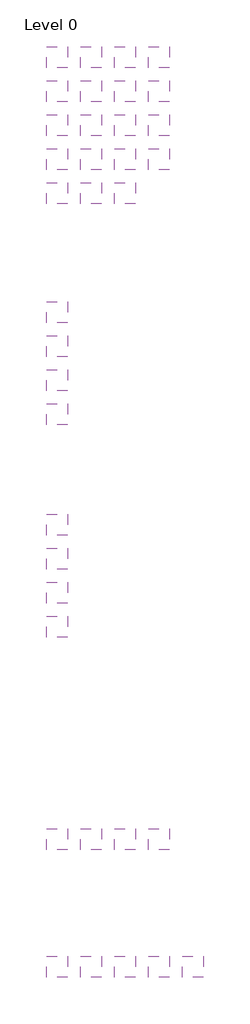
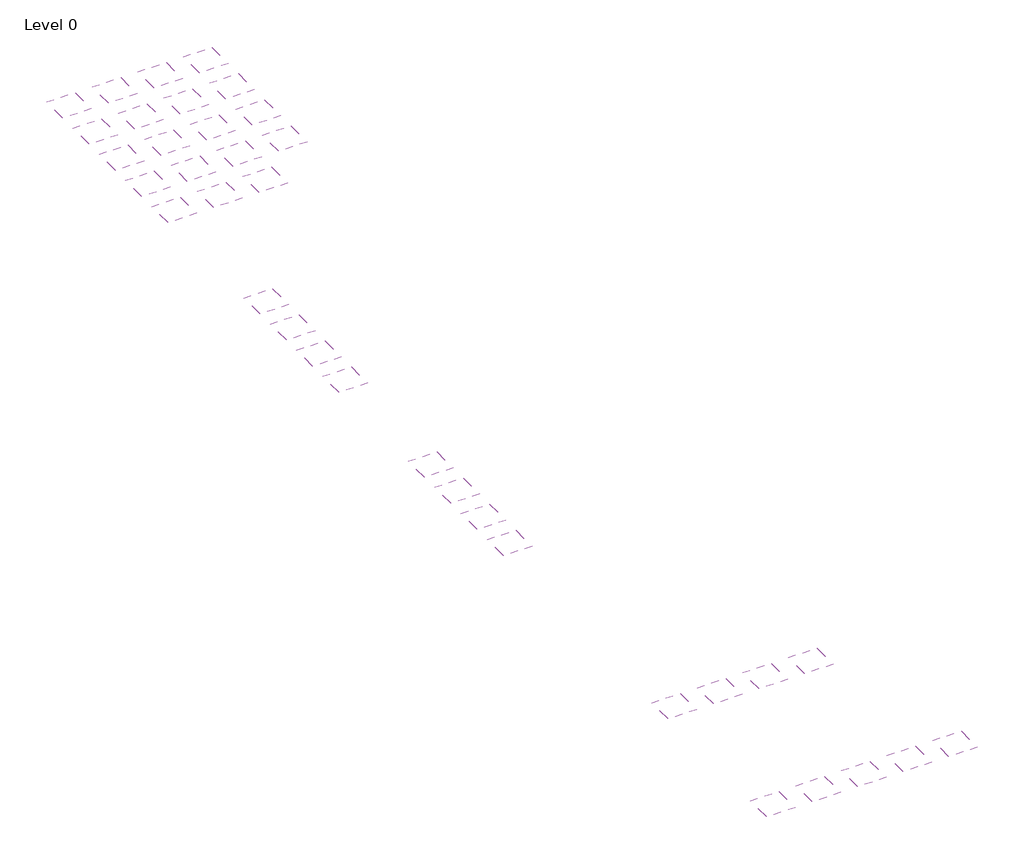
# One storey: 36 coverings.
"""IFC4 building model written with IfcOpenShell, lengths in millimetres."""

from ifc_helpers import new_model, si_unit, frame, origin, place, context, project, spatial, polyline, outline, extrude, element, save

model = new_model("IFC4")

# Units and contexts
model_context = context("Model", 3, world=origin())
ifc_project = project(units=[si_unit("LENGTHUNIT", "METRE", prefix="MILLI")], contexts=[model_context])

# Site, building, storey
site = spatial("IfcSite", under=ifc_project)
building = spatial("IfcBuilding", under=site)
storey = spatial("IfcBuildingStorey", under=building, Name="Level 0", Elevation=0.0)

# Coverings
placement = place(None, origin())
element("IfcCovering", 1, at=placement, inside=storey, context=model_context, shape_type="SweptSolid", body=[
    extrude(outline(polyline([(-9816.8087978, 5048.1093759), (-9816.8087978, 4548.1093759), (-10316.8087978, 4548.1093759), (-10316.8087978, 5048.1093759), (-9816.8087978, 5048.1093759)])), frame((0.0, 0.0, 4000.0), z_axis=(0.0, 0.0, 1.0), x_axis=(1.0, 0.0, 0.0)), (0.0, 0.0, 1.0), 14.0),
])
element("IfcCovering", 2, at=placement, inside=storey, context=model_context, shape_type="SweptSolid", body=[
    extrude(outline(polyline([(-9816.8087978, 4248.1093759), (-9816.8087978, 3748.1093759), (-10316.8087978, 3748.1093759), (-10316.8087978, 4248.1093759), (-9816.8087978, 4248.1093759)])), frame((0.0, 0.0, 4000.0), z_axis=(0.0, 0.0, 1.0), x_axis=(1.0, 0.0, 0.0)), (0.0, 0.0, 1.0), 14.0),
])
element("IfcCovering", 3, at=placement, inside=storey, context=model_context, shape_type="SweptSolid", body=[
    extrude(outline(polyline([(-9016.8087978, 5048.1093759), (-9016.8087978, 4548.1093759), (-9516.8087978, 4548.1093759), (-9516.8087978, 5048.1093759), (-9016.8087978, 5048.1093759)])), frame((0.0, 0.0, 4000.0), z_axis=(0.0, 0.0, 1.0), x_axis=(1.0, 0.0, 0.0)), (0.0, 0.0, 1.0), 17.0),
])
element("IfcCovering", 4, at=placement, inside=storey, context=model_context, shape_type="SweptSolid", body=[
    extrude(outline(polyline([(-9016.8087978, 4248.1093759), (-9016.8087978, 3748.1093759), (-9516.8087978, 3748.1093759), (-9516.8087978, 4248.1093759), (-9016.8087978, 4248.1093759)])), frame((0.0, 0.0, 4000.0), z_axis=(0.0, 0.0, 1.0), x_axis=(1.0, 0.0, 0.0)), (0.0, 0.0, 1.0), 17.0),
])
element("IfcCovering", 5, at=placement, inside=storey, context=model_context, shape_type="SweptSolid", body=[
    extrude(outline(polyline([(-9816.8087978, 3448.1093759), (-9816.8087978, 2948.1093759), (-10316.8087978, 2948.1093759), (-10316.8087978, 3448.1093759), (-9816.8087978, 3448.1093759)])), frame((0.0, 0.0, 4000.0), z_axis=(0.0, 0.0, 1.0), x_axis=(1.0, 0.0, 0.0)), (0.0, 0.0, 1.0), 14.0),
])
element("IfcCovering", 6, at=placement, inside=storey, context=model_context, shape_type="SweptSolid", body=[
    extrude(outline(polyline([(-9016.8087978, 3448.1093759), (-9016.8087978, 2948.1093759), (-9516.8087978, 2948.1093759), (-9516.8087978, 3448.1093759), (-9016.8087978, 3448.1093759)])), frame((0.0, 0.0, 4000.0), z_axis=(0.0, 0.0, 1.0), x_axis=(1.0, 0.0, 0.0)), (0.0, 0.0, 1.0), 20.0),
])
element("IfcCovering", 7, at=placement, inside=storey, context=model_context, shape_type="SweptSolid", body=[
    extrude(outline(polyline([(-8216.8087978, 3448.1093759), (-8216.8087978, 2948.1093759), (-8716.8087978, 2948.1093759), (-8716.8087978, 3448.1093759), (-8216.8087978, 3448.1093759)])), frame((0.0, 0.0, 4000.0), z_axis=(0.0, 0.0, 1.0), x_axis=(1.0, 0.0, 0.0)), (0.0, 0.0, 1.0), 17.0),
])
element("IfcCovering", 8, at=placement, inside=storey, context=model_context, shape_type="SweptSolid", body=[
    extrude(outline(polyline([(-9816.8087978, 2648.1093759), (-9816.8087978, 2148.1093759), (-10316.8087978, 2148.1093759), (-10316.8087978, 2648.1093759), (-9816.8087978, 2648.1093759)])), frame((0.0, 0.0, 4000.0), z_axis=(0.0, 0.0, 1.0), x_axis=(1.0, 0.0, 0.0)), (0.0, 0.0, 1.0), 17.0),
])
element("IfcCovering", 9, at=placement, inside=storey, context=model_context, shape_type="SweptSolid", body=[
    extrude(outline(polyline([(-9016.8087978, 2648.1093759), (-9016.8087978, 2148.1093759), (-9516.8087978, 2148.1093759), (-9516.8087978, 2648.1093759), (-9016.8087978, 2648.1093759)])), frame((0.0, 0.0, 4000.0), z_axis=(0.0, 0.0, 1.0), x_axis=(1.0, 0.0, 0.0)), (0.0, 0.0, 1.0), 32.0),
])
element("IfcCovering", 10, at=placement, inside=storey, context=model_context, shape_type="SweptSolid", body=[
    extrude(outline(polyline([(-8216.8087978, 2648.1093759), (-8216.8087978, 2148.1093759), (-8716.8087978, 2148.1093759), (-8716.8087978, 2648.1093759), (-8216.8087978, 2648.1093759)])), frame((0.0, 0.0, 4000.0), z_axis=(0.0, 0.0, 1.0), x_axis=(1.0, 0.0, 0.0)), (0.0, 0.0, 1.0), 20.0),
])
element("IfcCovering", 11, at=placement, inside=storey, context=model_context, shape_type="SweptSolid", body=[
    extrude(outline(polyline([(-7416.8087978, 2648.1093759), (-7416.8087978, 2148.1093759), (-7916.8087978, 2148.1093759), (-7916.8087978, 2648.1093759), (-7416.8087978, 2648.1093759)])), frame((0.0, 0.0, 4000.0), z_axis=(0.0, 0.0, 1.0), x_axis=(1.0, 0.0, 0.0)), (0.0, 0.0, 1.0), 33.0),
])
element("IfcCovering", 12, at=placement, inside=storey, context=model_context, shape_type="SweptSolid", body=[
    extrude(outline(polyline([(-9816.8087978, 1848.1093759), (-9816.8087978, 1348.1093759), (-10316.8087978, 1348.1093759), (-10316.8087978, 1848.1093759), (-9816.8087978, 1848.1093759)])), frame((0.0, 0.0, 4000.0), z_axis=(0.0, 0.0, 1.0), x_axis=(1.0, 0.0, 0.0)), (0.0, 0.0, 1.0), 36.0),
])
element("IfcCovering", 13, at=placement, inside=storey, context=model_context, shape_type="SweptSolid", body=[
    extrude(outline(polyline([(-9016.8087978, 1848.1093759), (-9016.8087978, 1348.1093759), (-9516.8087978, 1348.1093759), (-9516.8087978, 1848.1093759), (-9016.8087978, 1848.1093759)])), frame((0.0, 0.0, 4000.0), z_axis=(0.0, 0.0, 1.0), x_axis=(1.0, 0.0, 0.0)), (0.0, 0.0, 1.0), 48.0),
])
element("IfcCovering", 14, at=placement, inside=storey, context=model_context, shape_type="SweptSolid", body=[
    extrude(outline(polyline([(-9816.8087978, -951.8906241), (-9816.8087978, -1451.8906241), (-10316.8087978, -1451.8906241), (-10316.8087978, -951.8906241), (-9816.8087978, -951.8906241)])), frame((0.0, 0.0, 4000.0), z_axis=(0.0, 0.0, 1.0), x_axis=(1.0, 0.0, 0.0)), (0.0, 0.0, 1.0), 25.0),
])
element("IfcCovering", 15, at=placement, inside=storey, context=model_context, shape_type="SweptSolid", body=[
    extrude(outline(polyline([(-9816.8087978, -1751.8906241), (-9816.8087978, -2251.8906241), (-10316.8087978, -2251.8906241), (-10316.8087978, -1751.8906241), (-9816.8087978, -1751.8906241)])), frame((0.0, 0.0, 4000.0), z_axis=(0.0, 0.0, 1.0), x_axis=(1.0, 0.0, 0.0)), (0.0, 0.0, 1.0), 34.0),
])
element("IfcCovering", 16, at=placement, inside=storey, context=model_context, shape_type="SweptSolid", body=[
    extrude(outline(polyline([(-9816.8087978, -2551.8906241), (-9816.8087978, -3051.8906241), (-10316.8087978, -3051.8906241), (-10316.8087978, -2551.8906241), (-9816.8087978, -2551.8906241)])), frame((0.0, 0.0, 4000.0), z_axis=(0.0, 0.0, 1.0), x_axis=(1.0, 0.0, 0.0)), (0.0, 0.0, 1.0), 55.0),
])
element("IfcCovering", 17, at=placement, inside=storey, context=model_context, shape_type="SweptSolid", body=[
    extrude(outline(polyline([(-9816.8087978, -3351.8906241), (-9816.8087978, -3851.8906241), (-10316.8087978, -3851.8906241), (-10316.8087978, -3351.8906241), (-9816.8087978, -3351.8906241)])), frame((0.0, 0.0, 4000.0), z_axis=(0.0, 0.0, 1.0), x_axis=(1.0, 0.0, 0.0)), (0.0, 0.0, 1.0), 81.0),
])
element("IfcCovering", 18, at=placement, inside=storey, context=model_context, shape_type="SweptSolid", body=[
    extrude(outline(polyline([(-9816.8087978, -6751.8906241), (-9816.8087978, -7251.8906241), (-10316.8087978, -7251.8906241), (-10316.8087978, -6751.8906241), (-9816.8087978, -6751.8906241)])), frame((0.0, 0.0, 4000.0), z_axis=(0.0, 0.0, 1.0), x_axis=(1.0, 0.0, 0.0)), (0.0, 0.0, 1.0), 24.0),
])
element("IfcCovering", 19, at=placement, inside=storey, context=model_context, shape_type="SweptSolid", body=[
    extrude(outline(polyline([(-9816.8087978, -7551.8906241), (-9816.8087978, -8051.8906241), (-10316.8087978, -8051.8906241), (-10316.8087978, -7551.8906241), (-9816.8087978, -7551.8906241)])), frame((0.0, 0.0, 4000.0), z_axis=(0.0, 0.0, 1.0), x_axis=(1.0, 0.0, 0.0)), (0.0, 0.0, 1.0), 40.0),
])
element("IfcCovering", 20, at=placement, inside=storey, context=model_context, shape_type="SweptSolid", body=[
    extrude(outline(polyline([(-9816.8087978, -8351.8906241), (-9816.8087978, -8851.8906241), (-10316.8087978, -8851.8906241), (-10316.8087978, -8351.8906241), (-9816.8087978, -8351.8906241)])), frame((0.0, 0.0, 4000.0), z_axis=(0.0, 0.0, 1.0), x_axis=(1.0, 0.0, 0.0)), (0.0, 0.0, 1.0), 56.0),
])
element("IfcCovering", 21, at=placement, inside=storey, context=model_context, shape_type="SweptSolid", body=[
    extrude(outline(polyline([(-9816.8087978, -5951.8906241), (-9816.8087978, -6451.8906241), (-10316.8087978, -6451.8906241), (-10316.8087978, -5951.8906241), (-9816.8087978, -5951.8906241)])), frame((0.0, 0.0, 4000.0), z_axis=(0.0, 0.0, 1.0), x_axis=(1.0, 0.0, 0.0)), (0.0, 0.0, 1.0), 15.0),
])
element("IfcCovering", 22, at=placement, inside=storey, context=model_context, shape_type="SweptSolid", body=[
    extrude(outline(polyline([(-9816.8087978, -13351.8906241), (-9816.8087978, -13851.8906241), (-10316.8087978, -13851.8906241), (-10316.8087978, -13351.8906241), (-9816.8087978, -13351.8906241)])), frame((0.0, 0.0, 4000.0), z_axis=(0.0, 0.0, 1.0), x_axis=(1.0, 0.0, 0.0)), (0.0, 0.0, 1.0), 13.0),
])
element("IfcCovering", 23, at=placement, inside=storey, context=model_context, shape_type="SweptSolid", body=[
    extrude(outline(polyline([(-9016.8087978, -13351.8906241), (-9016.8087978, -13851.8906241), (-9516.8087978, -13851.8906241), (-9516.8087978, -13351.8906241), (-9016.8087978, -13351.8906241)])), frame((0.0, 0.0, 4000.0), z_axis=(0.0, 0.0, 1.0), x_axis=(1.0, 0.0, 0.0)), (0.0, 0.0, 1.0), 15.0),
])
element("IfcCovering", 24, at=placement, inside=storey, context=model_context, shape_type="SweptSolid", body=[
    extrude(outline(polyline([(-8216.8087978, -13351.8906241), (-8216.8087978, -13851.8906241), (-8716.8087978, -13851.8906241), (-8716.8087978, -13351.8906241), (-8216.8087978, -13351.8906241)])), frame((0.0, 0.0, 4000.0), z_axis=(0.0, 0.0, 1.0), x_axis=(1.0, 0.0, 0.0)), (0.0, 0.0, 1.0), 23.0),
])
element("IfcCovering", 25, at=placement, inside=storey, context=model_context, shape_type="SweptSolid", body=[
    extrude(outline(polyline([(-7416.8087978, -13351.8906241), (-7416.8087978, -13851.8906241), (-7916.8087978, -13851.8906241), (-7916.8087978, -13351.8906241), (-7416.8087978, -13351.8906241)])), frame((0.0, 0.0, 4000.0), z_axis=(0.0, 0.0, 1.0), x_axis=(1.0, 0.0, 0.0)), (0.0, 0.0, 1.0), 31.0),
])
element("IfcCovering", 26, at=placement, inside=storey, context=model_context, shape_type="SweptSolid", body=[
    extrude(outline(polyline([(-9816.8087978, -16351.8906241), (-9816.8087978, -16851.8906241), (-10316.8087978, -16851.8906241), (-10316.8087978, -16351.8906241), (-9816.8087978, -16351.8906241)])), frame((0.0, 0.0, 4000.0), z_axis=(0.0, 0.0, 1.0), x_axis=(1.0, 0.0, 0.0)), (0.0, 0.0, 1.0), 23.0),
])
element("IfcCovering", 27, at=placement, inside=storey, context=model_context, shape_type="SweptSolid", body=[
    extrude(outline(polyline([(-9016.8087978, -16351.8906241), (-9016.8087978, -16851.8906241), (-9516.8087978, -16851.8906241), (-9516.8087978, -16351.8906241), (-9016.8087978, -16351.8906241)])), frame((0.0, 0.0, 4000.0), z_axis=(0.0, 0.0, 1.0), x_axis=(1.0, 0.0, 0.0)), (0.0, 0.0, 1.0), 23.0),
])
element("IfcCovering", 28, at=placement, inside=storey, context=model_context, shape_type="SweptSolid", body=[
    extrude(outline(polyline([(-8216.8087978, -16351.8906241), (-8216.8087978, -16851.8906241), (-8716.8087978, -16851.8906241), (-8716.8087978, -16351.8906241), (-8216.8087978, -16351.8906241)])), frame((0.0, 0.0, 4000.0), z_axis=(0.0, 0.0, 1.0), x_axis=(1.0, 0.0, 0.0)), (0.0, 0.0, 1.0), 23.0),
])
element("IfcCovering", 29, at=placement, inside=storey, context=model_context, shape_type="SweptSolid", body=[
    extrude(outline(polyline([(-7416.8087978, -16351.8906241), (-7416.8087978, -16851.8906241), (-7916.8087978, -16851.8906241), (-7916.8087978, -16351.8906241), (-7416.8087978, -16351.8906241)])), frame((0.0, 0.0, 4000.0), z_axis=(0.0, 0.0, 1.0), x_axis=(1.0, 0.0, 0.0)), (0.0, 0.0, 1.0), 27.0),
])
element("IfcCovering", 30, at=placement, inside=storey, context=model_context, shape_type="SweptSolid", body=[
    extrude(outline(polyline([(-6616.8087978, -16351.8906241), (-6616.8087978, -16851.8906241), (-7116.8087978, -16851.8906241), (-7116.8087978, -16351.8906241), (-6616.8087978, -16351.8906241)])), frame((0.0, 0.0, 4000.0), z_axis=(0.0, 0.0, 1.0), x_axis=(1.0, 0.0, 0.0)), (0.0, 0.0, 1.0), 39.0),
])
element("IfcCovering", 31, at=placement, inside=storey, context=model_context, shape_type="SweptSolid", body=[
    extrude(outline(polyline([(-8216.8087978, 1848.1093759), (-8216.8087978, 1348.1093759), (-8716.8087978, 1348.1093759), (-8716.8087978, 1848.1093759), (-8216.8087978, 1848.1093759)])), frame((0.0, 0.0, 4000.0), z_axis=(0.0, 0.0, 1.0), x_axis=(1.0, 0.0, 0.0)), (0.0, 0.0, 1.0), 48.0),
])
element("IfcCovering", 32, at=placement, inside=storey, context=model_context, shape_type="SweptSolid", body=[
    extrude(outline(polyline([(-7416.8087978, 3448.1093759), (-7416.8087978, 2948.1093759), (-7916.8087978, 2948.1093759), (-7916.8087978, 3448.1093759), (-7416.8087978, 3448.1093759)])), frame((0.0, 0.0, 4000.0), z_axis=(0.0, 0.0, 1.0), x_axis=(1.0, 0.0, 0.0)), (0.0, 0.0, 1.0), 14.0),
])
element("IfcCovering", 33, at=placement, inside=storey, context=model_context, shape_type="SweptSolid", body=[
    extrude(outline(polyline([(-8216.8087978, 5048.1093759), (-8216.8087978, 4548.1093759), (-8716.8087978, 4548.1093759), (-8716.8087978, 5048.1093759), (-8216.8087978, 5048.1093759)])), frame((0.0, 0.0, 4000.0), z_axis=(0.0, 0.0, 1.0), x_axis=(1.0, 0.0, 0.0)), (0.0, 0.0, 1.0), 17.0),
])
element("IfcCovering", 34, at=placement, inside=storey, context=model_context, shape_type="SweptSolid", body=[
    extrude(outline(polyline([(-8216.8087978, 4248.1093759), (-8216.8087978, 3748.1093759), (-8716.8087978, 3748.1093759), (-8716.8087978, 4248.1093759), (-8216.8087978, 4248.1093759)])), frame((0.0, 0.0, 4000.0), z_axis=(0.0, 0.0, 1.0), x_axis=(1.0, 0.0, 0.0)), (0.0, 0.0, 1.0), 17.0),
])
element("IfcCovering", 35, at=placement, inside=storey, context=model_context, shape_type="SweptSolid", body=[
    extrude(outline(polyline([(-7416.8087978, 5048.1093759), (-7416.8087978, 4548.1093759), (-7916.8087978, 4548.1093759), (-7916.8087978, 5048.1093759), (-7416.8087978, 5048.1093759)])), frame((0.0, 0.0, 4000.0), z_axis=(0.0, 0.0, 1.0), x_axis=(1.0, 0.0, 0.0)), (0.0, 0.0, 1.0), 14.0),
])
element("IfcCovering", 36, at=placement, inside=storey, context=model_context, shape_type="SweptSolid", body=[
    extrude(outline(polyline([(-7416.8087978, 4248.1093759), (-7416.8087978, 3748.1093759), (-7916.8087978, 3748.1093759), (-7916.8087978, 4248.1093759), (-7416.8087978, 4248.1093759)])), frame((0.0, 0.0, 4000.0), z_axis=(0.0, 0.0, 1.0), x_axis=(1.0, 0.0, 0.0)), (0.0, 0.0, 1.0), 14.0),
])

save(model, "model.ifc")
